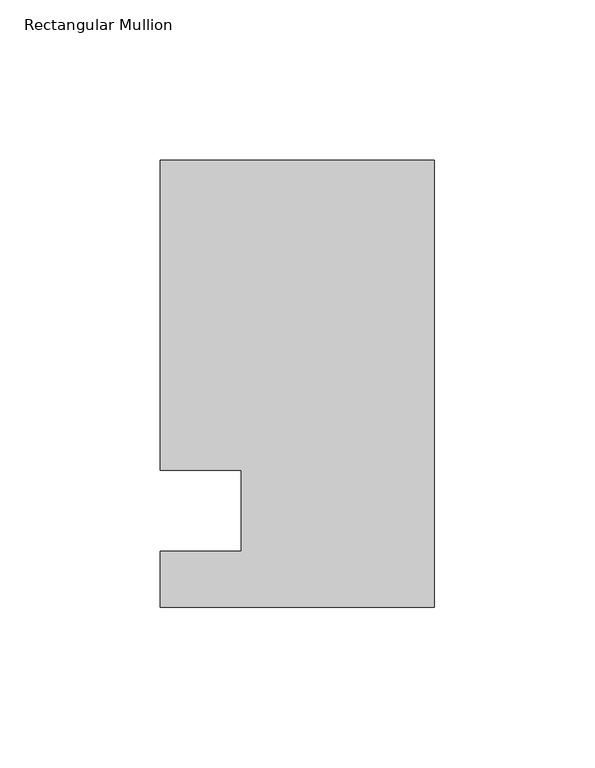
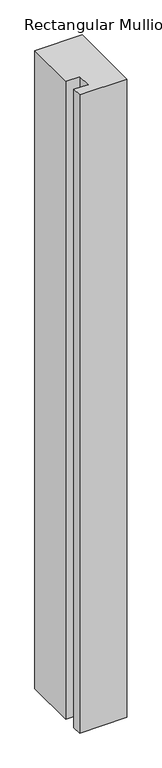
"""IFC4 building model written with IfcOpenShell, lengths in millimetres: member geometry, Rectangular Mullion."""

from ifc_helpers import new_model, si_unit, frame, origin, place, context, project, spatial, polyline, outline, extrude, source, transform, mapped, element, save


def rectangular_mullion_89d8787e(model_context):
    return source(origin(), model_context, "Body", "SweptSolid", [
        extrude(outline(polyline([(-85.725, 109.5375), (0.0, 109.5375), (0.0, -30.1625), (-85.725, -30.1625), (-85.725, -12.7), (-60.325, -12.7), (-60.325, 12.7), (-85.725, 12.7), (-85.725, 109.5375)])), frame((0.0, 0.0, -1219.2), z_axis=(0.0, 0.0, 1.0), x_axis=(1.0, 0.0, 0.0)), (0.0, 0.0, 1.0), 1219.2),
    ])


if __name__ == "__main__":
    model = new_model("IFC4")
    model_context = context("Model", 3, world=origin())
    ifc_project = project(units=[si_unit("LENGTHUNIT", "METRE", prefix="MILLI")], contexts=[model_context])
    site = spatial("IfcSite", under=ifc_project)
    building = spatial("IfcBuilding", under=site)
    placement = place(None, origin())
    rectangular_mullion_shape = rectangular_mullion_89d8787e(model_context)
    element("IfcMember", 1, ObjectType="Rectangular Mullion", at=placement, inside=building, context=model_context, shape_type="MappedRepresentation", body=[
        mapped(rectangular_mullion_shape, transform((0.0, 0.0, 0.0), x_axis=(1.0, 0.0, 0.0), y_axis=(0.0, 1.0, 0.0), z_axis=(0.0, 0.0, 1.0))),
    ])
    save(model, "model.ifc")
